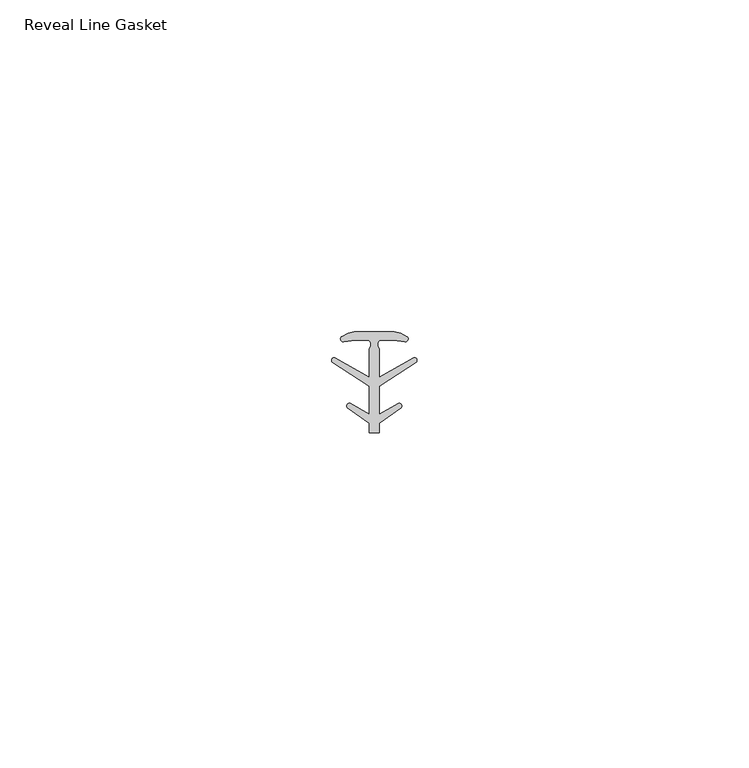
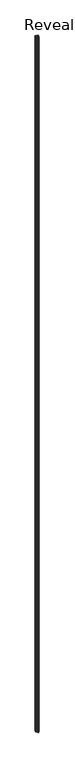
"""IFC4 building model written with IfcOpenShell, lengths in millimetres: proxy geometry, Reveal Line Gasket."""

from ifc_helpers import new_model, si_unit, point, frame, frame_2d, origin, place, context, project, spatial, polyline, circle_curve, trimmed, segment, composite_curve, outline, extrude, source, transform, mapped, element, save


def reveal_line_gasket_a854fc57(model_context):
    return source(origin(), model_context, "Body", "SweptSolid", [
        extrude(outline(composite_curve([segment(polyline([(2.999107, 7.6326998), (3.9545998, 7.4091917), (4.8875754, 6.8813059)]), True, "CONTINUOUS"), segment(trimmed(circle_curve(frame_2d((4.6855864, 6.5243141)), 0.4101739), [point((4.8875754, 6.8813059))], [point((4.5932418, 6.1246704))], False, "CARTESIAN"), True, "CONTINUOUS"), segment(polyline([(4.5932418, 6.1246704), (2.8970156, 6.3626997), (0.8645598, 6.3626997)]), True, "CONTINUOUS"), segment(trimmed(circle_curve(frame_2d((1.2810328, 5.6959605)), 0.786124), [point((0.8645598, 6.3626997))], [point((0.7769821, 5.0926996))], True, "CARTESIAN"), True, "CONTINUOUS"), segment(polyline([(0.7769821, 5.0926996), (0.7769821, 0.7492996), (5.9386365, 3.7293824)]), True, "CONTINUOUS"), segment(trimmed(circle_curve(frame_2d((6.0040832, 3.3132479)), 0.4212495), [point((5.9386365, 3.7293824))], [point((6.3317429, 3.0485022))], False, "CARTESIAN"), True, "CONTINUOUS"), segment(polyline([(6.3317429, 3.0485022), (0.7769821, -0.5742594), (0.7769821, -4.8262978), (3.6526367, -3.1660374)]), True, "CONTINUOUS"), segment(trimmed(circle_curve(frame_2d((3.7109925, -3.5978728)), 0.4357605), [point((3.6526367, -3.1660374))], [point((4.0557951, -3.864328))], False, "CARTESIAN"), True, "CONTINUOUS"), segment(polyline([(4.0557951, -3.864328), (0.7769821, -6.1944059), (0.7769821, -7.6326998), (-0.778768, -7.6326998), (-0.778768, -6.1944059), (-4.0575811, -3.864328)]), True, "CONTINUOUS"), segment(trimmed(circle_curve(frame_2d((-3.7127785, -3.5978728)), 0.4357605), [point((-4.0575811, -3.864328))], [point((-3.6544226, -3.1660374))], False, "CARTESIAN"), True, "CONTINUOUS"), segment(polyline([(-3.6544226, -3.1660374), (-0.778768, -4.8262978), (-0.778768, -0.5742594), (-6.3335288, 3.0485022)]), True, "CONTINUOUS"), segment(trimmed(circle_curve(frame_2d((-6.0058691, 3.3132479)), 0.4212495), [point((-6.3335288, 3.0485022))], [point((-5.9404224, 3.7293824))], False, "CARTESIAN"), True, "CONTINUOUS"), segment(polyline([(-5.9404224, 3.7293824), (-0.778768, 0.7492996), (-0.778768, 5.0926996)]), True, "CONTINUOUS"), segment(trimmed(circle_curve(frame_2d((-1.2828188, 5.6959605)), 0.786124), [point((-0.778768, 5.0926996))], [point((-0.8663457, 6.3626997))], True, "CARTESIAN"), True, "CONTINUOUS"), segment(polyline([(-0.8663457, 6.3626997), (-2.8988015, 6.3626997), (-4.5950277, 6.1246704)]), True, "CONTINUOUS"), segment(trimmed(circle_curve(frame_2d((-4.6873723, 6.5243141)), 0.4101739), [point((-4.5950277, 6.1246704))], [point((-4.8893614, 6.8813059))], False, "CARTESIAN"), True, "CONTINUOUS"), segment(polyline([(-4.8893614, 6.8813059), (-3.9563857, 7.4091917), (-3.000893, 7.6326998), (2.999107, 7.6326998)]), True, "CONTINUOUS")], self_intersect=False)), frame((0.0, 0.0, 84.836), z_axis=(0.0, 0.0, 1.0), x_axis=(1.0, 0.0, 0.0)), (0.0, 0.0, 1.0), 2953.9729761),
    ])


if __name__ == "__main__":
    model = new_model("IFC4")
    model_context = context("Model", 3, world=origin())
    ifc_project = project(units=[si_unit("LENGTHUNIT", "METRE", prefix="MILLI")], contexts=[model_context])
    site = spatial("IfcSite", under=ifc_project)
    building = spatial("IfcBuilding", under=site)
    placement = place(None, origin())
    reveal_line_gasket_shape = reveal_line_gasket_a854fc57(model_context)
    element("IfcBuildingElementProxy", 1, Name="Reveal Line Gasket", ObjectType="Reveal Line Gasket", at=placement, inside=building, context=model_context, shape_type="MappedRepresentation", body=[
        mapped(reveal_line_gasket_shape, transform((0.0, 0.0, 0.0), x_axis=(1.0, 0.0, 0.0), y_axis=(0.0, 1.0, 0.0), z_axis=(0.0, 0.0, 1.0))),
    ])
    save(model, "model.ifc")
